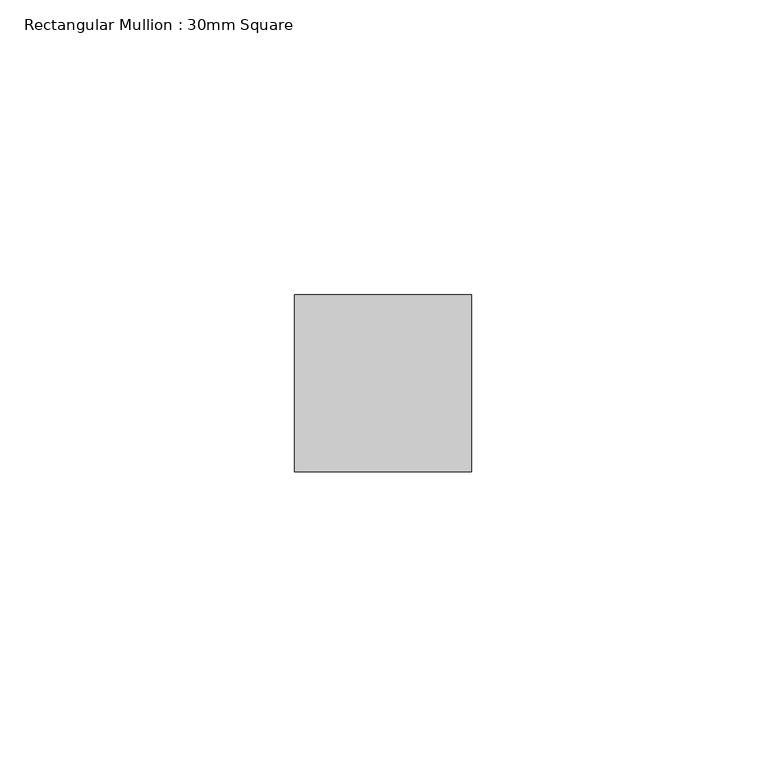
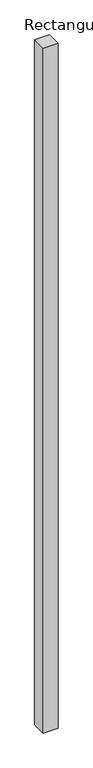
"""IFC4 building model written with IfcOpenShell, lengths in millimetres: member geometry, Rectangular Mullion : 30mm Square."""

from ifc_helpers import new_model, si_unit, frame, origin, place, context, project, spatial, polyline, outline, extrude, source, transform, mapped, element, save


def rectangular_mullion_30mm_square_c0b6bdf9(model_context):
    return source(origin(), model_context, "Body", "SweptSolid", [
        extrude(outline(polyline([(0.0, 15.0), (0.0, -15.0), (-30.0, -15.0), (-30.0, 15.0), (0.0, 15.0)])), frame((0.0, 0.0, -1470.0), z_axis=(0.0, 0.0, 1.0), x_axis=(1.0, 0.0, 0.0)), (0.0, 0.0, 1.0), 1470.0),
    ])


if __name__ == "__main__":
    model = new_model("IFC4")
    model_context = context("Model", 3, world=origin())
    ifc_project = project(units=[si_unit("LENGTHUNIT", "METRE", prefix="MILLI")], contexts=[model_context])
    site = spatial("IfcSite", under=ifc_project)
    building = spatial("IfcBuilding", under=site)
    placement = place(None, origin())
    rectangular_mullion_30mm_square_shape = rectangular_mullion_30mm_square_c0b6bdf9(model_context)
    element("IfcMember", 1, ObjectType="Rectangular Mullion : 30mm Square", at=placement, inside=building, context=model_context, shape_type="MappedRepresentation", body=[
        mapped(rectangular_mullion_30mm_square_shape, transform((0.0, 0.0, 0.0), x_axis=(1.0, 0.0, 0.0), y_axis=(0.0, 1.0, 0.0), z_axis=(0.0, 0.0, 1.0))),
    ])
    save(model, "model.ifc")
